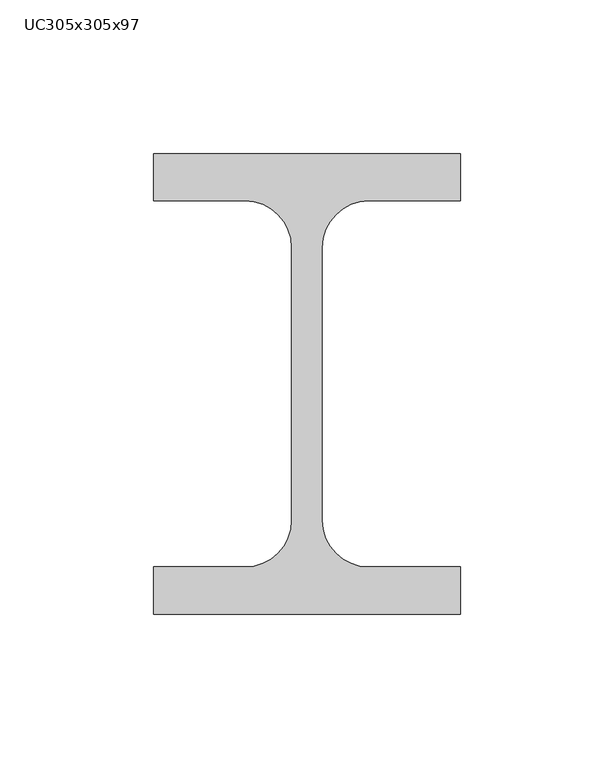
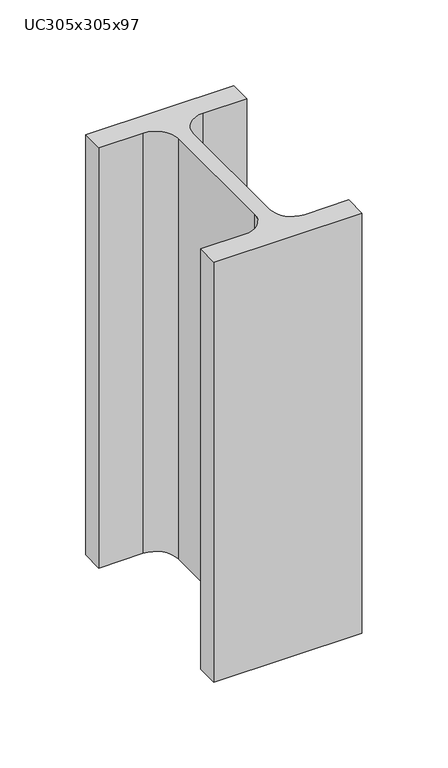
"""IFC4 building model written with IfcOpenShell, lengths in millimetres: column geometry, UC305x305x97."""

import ifcopenshell
import ifcopenshell.guid

model = None  # the IFC model being written
_history = None  # IfcOwnerHistory: only IFC2X3 demands one
_inside = {}  # id of a spatial element -> (the spatial element, [elements in it])
_under = {}  # id of a project, library or spatial element -> (it, [spatial elements below it])
_declared = {}  # id of a project -> (the project, [libraries it declares])
_typed = {}  # id of a type object -> (the type object, [elements of that type])
_made_of = {}  # id of a material, layer set ... -> (it, [elements and type objects made of it])


def new_model(schema):
    """Start an empty IFC model of exactly this schema.

    Asked for "IFC4X3", IfcOpenShell would pick the latest addendum, in which some entities
    have other attributes; the version numbers below select the first issue.
    IFC2X3 requires an IfcOwnerHistory on every rooted entity: one is made here for all.
    """
    global model, _history
    if schema == "IFC4X3":
        model = ifcopenshell.file(schema_version=(4, 3, 0, 0))
    else:
        model = ifcopenshell.file(schema=schema)
    _inside.clear()
    _under.clear()
    _declared.clear()
    _typed.clear()
    _made_of.clear()
    _history = None
    if model.schema == "IFC2X3":
        org = make("IfcOrganization", Name="unknown")
        user = make(
            "IfcPersonAndOrganization",
            ThePerson=make("IfcPerson", FamilyName="unknown"),
            TheOrganization=org,
        )
        app = make(
            "IfcApplication",
            ApplicationDeveloper=org,
            Version="unknown",
            ApplicationFullName="unknown",
            ApplicationIdentifier="unknown",
        )
        _history = make(
            "IfcOwnerHistory",
            OwningUser=user,
            OwningApplication=app,
            ChangeAction="ADDED",
            CreationDate=0,
        )
    return model


def make(cls, **values):
    """One entity of the class cls with the attributes given. An attribute that is None is left unset."""
    return model.create_entity(
        cls, **{name: value for name, value in values.items() if value is not None}
    )


def rooted(cls, **values):
    """An entity with a GlobalId (a new one), such as an element, a storey or a relation."""
    return make(cls, GlobalId=ifcopenshell.guid.new(), OwnerHistory=_history, **values)


def si_unit(unit_type, name, prefix=None):
    """IfcSIUnit, for example si_unit("LENGTHUNIT", "METRE", prefix="MILLI")."""
    return make("IfcSIUnit", UnitType=unit_type, Prefix=prefix, Name=name)


def assignment(units):
    """IfcUnitAssignment: the units of a project."""
    return None if units is None else make("IfcUnitAssignment", Units=units)


def point(xyz):
    """IfcCartesianPoint."""
    return None if xyz is None else make("IfcCartesianPoint", Coordinates=xyz)


def direction(xyz):
    """IfcDirection."""
    return None if xyz is None else make("IfcDirection", DirectionRatios=xyz)


def frame(location, z_axis=None, x_axis=None):
    """IfcAxis2Placement3D, a coordinate frame: its origin and axes. An axis left out is left unset."""
    return make(
        "IfcAxis2Placement3D",
        Location=point(location),
        Axis=direction(z_axis),
        RefDirection=direction(x_axis),
    )


def frame_2d(location, x_axis=None):
    """IfcAxis2Placement2D, a coordinate frame in the plane: its origin and x axis."""
    return make(
        "IfcAxis2Placement2D", Location=point(location), RefDirection=direction(x_axis)
    )


def origin():
    """The frame at (0, 0, 0) with its axes left unset."""
    return frame((0.0, 0.0, 0.0))


def place(relative_to, where):
    """IfcLocalPlacement: puts the frame where relative to a parent placement (None: the world)."""
    return make(
        "IfcLocalPlacement", PlacementRelTo=relative_to, RelativePlacement=where
    )


def context(
    kind, dimensions, precision=None, world=None, true_north=None, identifier=None
):
    """IfcGeometricRepresentationContext, for example the 3D "Model" context."""
    return make(
        "IfcGeometricRepresentationContext",
        ContextIdentifier=identifier,
        ContextType=kind,
        CoordinateSpaceDimension=dimensions,
        Precision=precision,
        WorldCoordinateSystem=world,
        TrueNorth=true_north,
    )


def project(units=None, contexts=None):
    """IfcProject with its units and contexts."""
    return rooted(
        "IfcProject",
        Name="project",
        RepresentationContexts=contexts,
        UnitsInContext=assignment(units),
    )


def spatial(cls, under=None, at=None, **own):
    """A site, building, storey or space (cls), placed at a placement, below another one or the project."""
    s = rooted(cls, ObjectPlacement=at, **own)
    if under is not None:
        _under.setdefault(under.id(), (under, []))[1].append(s)
    return s


def polyline(points):
    """IfcPolyline through the points."""
    return make("IfcPolyline", Points=[point(p) for p in points])


def circle_curve(where, radius):
    """IfcCircle in the frame where."""
    return make("IfcCircle", Position=where, Radius=radius)


def trimmed(basis, trim1, trim2, sense, master):
    """IfcTrimmedCurve: the piece of a basis curve between two trims."""
    return make(
        "IfcTrimmedCurve",
        BasisCurve=basis,
        Trim1=trim1,
        Trim2=trim2,
        SenseAgreement=sense,
        MasterRepresentation=master,
    )


def segment(curve, same_sense, transition):
    """IfcCompositeCurveSegment."""
    return make(
        "IfcCompositeCurveSegment",
        Transition=transition,
        SameSense=same_sense,
        ParentCurve=curve,
    )


def composite_curve(segments, self_intersect=None):
    """IfcCompositeCurve: segments joined end to end."""
    return make("IfcCompositeCurve", Segments=segments, SelfIntersect=self_intersect)


def outline(outer, holes=None, kind="AREA"):
    """IfcArbitraryClosedProfileDef: a profile drawn as a closed curve; with holes, ...WithVoids."""
    if holes is None:
        return make("IfcArbitraryClosedProfileDef", ProfileType=kind, OuterCurve=outer)
    return make(
        "IfcArbitraryProfileDefWithVoids",
        ProfileType=kind,
        OuterCurve=outer,
        InnerCurves=holes,
    )


def extrude(swept, where, along, depth):
    """IfcExtrudedAreaSolid: the profile swept, set in the frame where, extruded along a direction by depth."""
    return make(
        "IfcExtrudedAreaSolid",
        SweptArea=swept,
        Position=where,
        ExtrudedDirection=direction(along),
        Depth=depth,
    )


def shape(context_of_items, identifier, shape_type, items):
    """IfcShapeRepresentation: the items that make up one representation, for example the "Body"."""
    return make(
        "IfcShapeRepresentation",
        ContextOfItems=context_of_items,
        RepresentationIdentifier=identifier,
        RepresentationType=shape_type,
        Items=items,
    )


def source(mapping_origin, context_of_items, identifier, shape_type, items):
    """IfcRepresentationMap: a shape defined once, which mapped items show again and again."""
    return make(
        "IfcRepresentationMap",
        MappingOrigin=mapping_origin,
        MappedRepresentation=shape(context_of_items, identifier, shape_type, items),
    )


def transform(
    local_origin,
    x_axis=None,
    y_axis=None,
    z_axis=None,
    scale=None,
    scale2=None,
    scale3=None,
    uniform=True,
):
    """IfcCartesianTransformationOperator3D, or its non-uniform kind. x_axis, y_axis, z_axis: its Axis1, 2, 3."""
    if uniform:
        return make(
            "IfcCartesianTransformationOperator3D",
            Axis1=direction(x_axis),
            Axis2=direction(y_axis),
            LocalOrigin=point(local_origin),
            Scale=scale,
            Axis3=direction(z_axis),
        )
    return make(
        "IfcCartesianTransformationOperator3DnonUniform",
        Axis1=direction(x_axis),
        Axis2=direction(y_axis),
        LocalOrigin=point(local_origin),
        Scale=scale,
        Axis3=direction(z_axis),
        Scale2=scale2,
        Scale3=scale3,
    )


def mapped(mapping_source, mapping_target):
    """IfcMappedItem: shows the shape of a source again, moved by a transform."""
    return make(
        "IfcMappedItem", MappingSource=mapping_source, MappingTarget=mapping_target
    )


def made_of(thing, what):
    """Note that an element or type object is made of a material, layer set ...; save() writes the relation."""
    if what is not None:
        _made_of.setdefault(what.id(), (what, []))[1].append(thing)
    return thing


def element(
    cls,
    number,
    at=None,
    inside=None,
    cuts=None,
    type_object=None,
    material=None,
    context=None,
    identifier="Body",
    shape_type=None,
    held_by="IfcProductDefinitionShape",
    body=None,
    shapes=None,
    **own,
):
    """One element of the class cls, such as IfcWall. Its Tag is "e" and its number.

    at: its placement. inside: the storey or other place that contains it. cuts: it is an
    opening in that element (IfcRelVoidsElement). A single representation is given by context,
    identifier, shape_type and body (its items); several are given by shapes. held_by: the class
    of the entity that holds the representations. save() writes the other relations.
    """
    e = rooted(cls, Tag="e%d" % number, ObjectPlacement=at, **own)
    if body is not None:
        shapes = [shape(context, identifier, shape_type, body)]
    if shapes is not None:
        e.Representation = make(held_by, Representations=shapes)
    if inside is not None:
        _inside.setdefault(inside.id(), (inside, []))[1].append(e)
    if cuts is not None:
        rooted(
            "IfcRelVoidsElement", RelatingBuildingElement=cuts, RelatedOpeningElement=e
        )
    if type_object is not None:
        _typed.setdefault(type_object.id(), (type_object, []))[1].append(e)
    return made_of(e, material)


def aggregate(whole, parts):
    """IfcRelAggregates: a whole, such as a stair, and the parts it consists of."""
    return rooted("IfcRelAggregates", RelatingObject=whole, RelatedObjects=parts)


def save(model, path):
    """Write the relations noted so far, then the file.

    IfcRelAggregates (storeys below a building ...), IfcRelContainedInSpatialStructure (elements
    in a storey), IfcRelDefinesByType, IfcRelAssociatesMaterial and IfcRelDeclares: one each for
    every whole, place, type object, material and project.
    """
    for whole, parts in _under.values():
        aggregate(whole, parts)
    for where, things in _inside.values():
        rooted(
            "IfcRelContainedInSpatialStructure",
            RelatedElements=things,
            RelatingStructure=where,
        )
    for kind, things in _typed.values():
        rooted("IfcRelDefinesByType", RelatedObjects=things, RelatingType=kind)
    for what, things in _made_of.values():
        rooted("IfcRelAssociatesMaterial", RelatedObjects=things, RelatingMaterial=what)
    for by, libraries in _declared.values():
        rooted("IfcRelDeclares", RelatingContext=by, RelatedDefinitions=libraries)
    model.write(path)


def uc305x305x97_7538723f(model_context):
    return source(origin(), model_context, "Body", "SweptSolid", [
        extrude(outline(composite_curve([segment(polyline([(50.0, 75.0), (50.0, 59.6), (20.15, 59.6)]), True, "CONTINUOUS"), segment(trimmed(circle_curve(frame_2d((20.15, 44.4)), 15.2), [point((20.15, 59.6))], [point((4.95, 44.4))], True, "CARTESIAN"), True, "CONTINUOUS"), segment(polyline([(4.95, 44.4), (4.95, -44.4)]), True, "CONTINUOUS"), segment(trimmed(circle_curve(frame_2d((20.15, -44.4)), 15.2), [point((4.95, -44.4))], [point((20.15, -59.6))], True, "CARTESIAN"), True, "CONTINUOUS"), segment(polyline([(20.15, -59.6), (50.0, -59.6), (50.0, -75.0), (-50.0, -75.0), (-50.0, -59.6), (-20.15, -59.6)]), True, "CONTINUOUS"), segment(trimmed(circle_curve(frame_2d((-20.15, -44.4)), 15.2), [point((-20.15, -59.6))], [point((-4.95, -44.4))], True, "CARTESIAN"), True, "CONTINUOUS"), segment(polyline([(-4.95, -44.4), (-4.95, 44.4)]), True, "CONTINUOUS"), segment(trimmed(circle_curve(frame_2d((-20.15, 44.4)), 15.2), [point((-4.95, 44.4))], [point((-20.15, 59.6))], True, "CARTESIAN"), True, "CONTINUOUS"), segment(polyline([(-20.15, 59.6), (-50.0, 59.6), (-50.0, 75.0), (50.0, 75.0)]), True, "CONTINUOUS")], self_intersect=False)), frame((0.0, 0.0, 2200.0), z_axis=(0.0, 0.0, 1.0), x_axis=(1.0, 0.0, 0.0)), (0.0, 0.0, 1.0), 300.0),
    ])


if __name__ == "__main__":
    model = new_model("IFC4")
    model_context = context("Model", 3, world=origin())
    ifc_project = project(units=[si_unit("LENGTHUNIT", "METRE", prefix="MILLI")], contexts=[model_context])
    site = spatial("IfcSite", under=ifc_project)
    building = spatial("IfcBuilding", under=site)
    placement = place(None, origin())
    uc305x305x97_shape = uc305x305x97_7538723f(model_context)
    element("IfcColumn", 1, ObjectType="UC305x305x97", at=placement, inside=building, context=model_context, shape_type="MappedRepresentation", body=[
        mapped(uc305x305x97_shape, transform((0.0, 0.0, 0.0), x_axis=(1.0, 0.0, 0.0), y_axis=(0.0, 1.0, 0.0), z_axis=(0.0, 0.0, 1.0))),
    ])
    save(model, "model.ifc")
